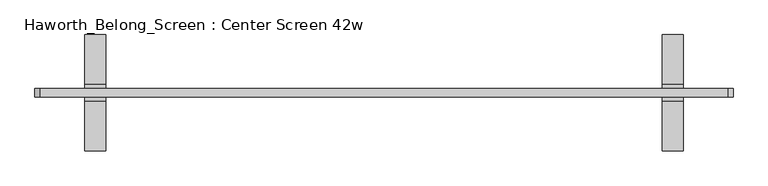
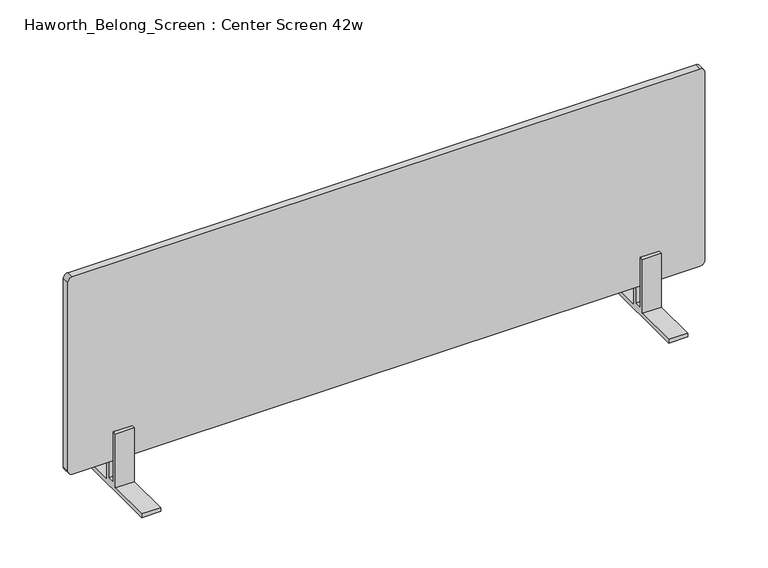
"""IFC4 building model written with IfcOpenShell, lengths in millimetres: furniture geometry, Haworth_Belong_Screen : Center Screen 42w."""

from ifc_helpers import new_model, si_unit, point, frame, frame_2d, origin, place, context, project, spatial, polyline, circle_curve, trimmed, segment, composite_curve, outline, extrude, source, transform, mapped, element, save


def haworth_belong_screen_center_screen_42w_58df1b21(model_context):
    return source(origin(), model_context, "Body", "SweptSolid", [
        extrude(outline(polyline([(-12.7, 668.3375), (-12.7, 763.5875), (-6.35, 763.5875), (-6.35, 674.6875), (6.35, 674.6875), (6.35, 763.5875), (12.7, 763.5875), (12.7, 668.3375), (88.9, 668.3375), (88.9, 661.9875), (-88.9, 661.9875), (-88.9, 668.3375), (-12.7, 668.3375)])), frame((-489.8645436, 0.0, 0.0), z_axis=(1.0, 0.0, 0.0), x_axis=(0.0, 1.0, 0.0)), (0.0, 0.0, 1.0), 31.75),
        extrude(outline(polyline([(-12.7, 668.3375), (-12.7, 763.5875), (-6.35, 763.5875), (-6.35, 674.6875), (6.35, 674.6875), (6.35, 763.5875), (12.7, 763.5875), (12.7, 668.3375), (88.9, 668.3375), (88.9, 661.9875), (-88.9, 661.9875), (-88.9, 668.3375), (-12.7, 668.3375)])), frame((392.7854564, 0.0, 0.0), z_axis=(1.0, 0.0, 0.0), x_axis=(0.0, 1.0, 0.0)), (0.0, 0.0, 1.0), 31.75),
        extrude(outline(composite_curve([segment(polyline([(1062.0375, 492.7979564), (1062.0375, -558.1270436)]), True, "CONTINUOUS"), segment(trimmed(circle_curve(frame_2d((1054.1, -558.1270436)), 7.9375), [point((1062.0375, -558.1270436))], [point((1054.1, -566.0645436))], False, "CARTESIAN"), True, "CONTINUOUS"), segment(polyline([(1054.1, -566.0645436), (720.725, -566.0645436)]), True, "CONTINUOUS"), segment(trimmed(circle_curve(frame_2d((720.725, -558.1270436)), 7.9375), [point((720.725, -566.0645436))], [point((712.7875, -558.1270436))], False, "CARTESIAN"), True, "CONTINUOUS"), segment(polyline([(712.7875, -558.1270436), (712.7875, 492.7979564)]), True, "CONTINUOUS"), segment(trimmed(circle_curve(frame_2d((720.725, 492.7979564)), 7.9375), [point((712.7875, 492.7979564))], [point((720.725, 500.7354564))], False, "CARTESIAN"), True, "CONTINUOUS"), segment(polyline([(720.725, 500.7354564), (1054.1, 500.7354564)]), True, "CONTINUOUS"), segment(trimmed(circle_curve(frame_2d((1054.1, 492.7979564)), 7.9375), [point((1054.1, 500.7354564))], [point((1062.0375, 492.7979564))], False, "CARTESIAN"), True, "CONTINUOUS")], self_intersect=False)), frame((0.0, -6.35, 0.0), z_axis=(0.0, 1.0, 0.0), x_axis=(0.0, 0.0, 1.0)), (0.0, 0.0, 1.0), 12.7),
    ])


if __name__ == "__main__":
    model = new_model("IFC4")
    model_context = context("Model", 3, world=origin())
    ifc_project = project(units=[si_unit("LENGTHUNIT", "METRE", prefix="MILLI")], contexts=[model_context])
    site = spatial("IfcSite", under=ifc_project)
    building = spatial("IfcBuilding", under=site)
    placement = place(None, origin())
    haworth_belong_screen_center_screen_42w_shape = haworth_belong_screen_center_screen_42w_58df1b21(model_context)
    element("IfcFurniture", 1, ObjectType="Haworth_Belong_Screen : Center Screen 42w", at=placement, inside=building, context=model_context, shape_type="MappedRepresentation", body=[
        mapped(haworth_belong_screen_center_screen_42w_shape, transform((0.0, 0.0, 0.0), x_axis=(1.0, 0.0, 0.0), y_axis=(0.0, 1.0, 0.0), z_axis=(0.0, 0.0, 1.0))),
    ])
    save(model, "model.ifc")
